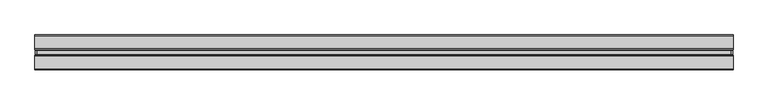
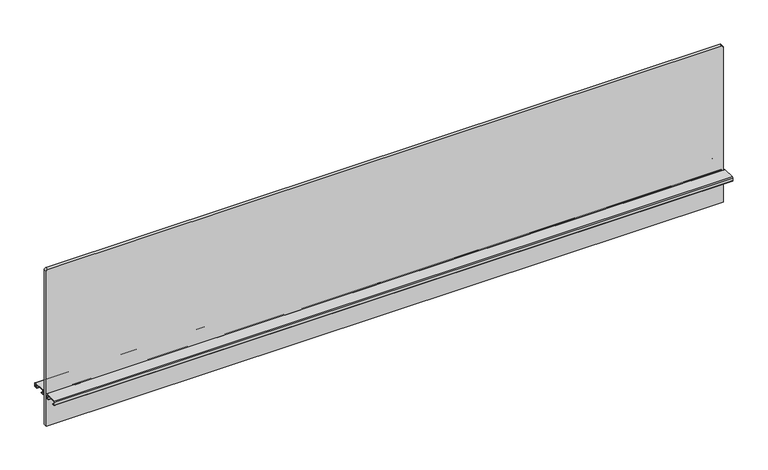
"""IFC4 building model written with IfcOpenShell, lengths in millimetres: furniture geometry."""

from ifc_helpers import new_model, si_unit, point, frame, frame_2d, origin, place, context, project, spatial, polyline, circle_curve, trimmed, segment, composite_curve, outline, extrude, source, transform, mapped, element, save


def furniture_b2cca230(model_context):
    return source(origin(), model_context, "Body", "SweptSolid", [
        extrude(outline(composite_curve([segment(polyline([(1061.313613, 756.92), (1061.313613, -756.92)]), True, "CONTINUOUS"), segment(trimmed(circle_curve(frame_2d((1057.503613, -756.92)), 3.81), [point((1061.313613, -756.92))], [point((1057.503613, -760.73))], False, "CARTESIAN"), True, "CONTINUOUS"), segment(polyline([(1057.503613, -760.73), (689.965613, -760.73), (689.965613, 760.73), (1057.503613, 760.73)]), True, "CONTINUOUS"), segment(trimmed(circle_curve(frame_2d((1057.503613, 756.92)), 3.81), [point((1057.503613, 760.73))], [point((1061.313613, 756.92))], False, "CARTESIAN"), True, "CONTINUOUS")], self_intersect=False)), frame((0.0, -3.683001, 0.0), z_axis=(0.0, 1.0, 0.0), x_axis=(0.0, 0.0, 1.0)), (0.0, 0.0, 1.0), 7.3660021),
        extrude(outline(composite_curve([segment(trimmed(circle_curve(frame_2d((-8.1724496, 767.2324064)), 2.032), [point((-8.1724496, 769.2644064))], [point((-6.1404496, 767.2324064))], False, "CARTESIAN"), True, "CONTINUOUS"), segment(polyline([(-6.1404496, 767.2324064), (-6.1404496, 761.1364161)]), True, "CONTINUOUS"), segment(trimmed(circle_curve(frame_2d((-8.1724496, 761.1364161)), 2.032), [point((-6.1404496, 761.1364161))], [point((-8.1724496, 759.1044161))], False, "CARTESIAN"), True, "CONTINUOUS"), segment(polyline([(-8.1724496, 759.1044161), (-13.4619988, 759.1044161), (-13.4619988, 760.0187498), (-8.0708496, 760.0187498)]), True, "CONTINUOUS"), segment(trimmed(circle_curve(frame_2d((-8.0708496, 761.0347498)), 1.016), [point((-8.0708496, 760.0187498))], [point((-7.0548496, 761.0347498))], True, "CARTESIAN"), True, "CONTINUOUS"), segment(polyline([(-7.0548496, 761.0347498), (-7.0548496, 767.334)]), True, "CONTINUOUS"), segment(trimmed(circle_curve(frame_2d((-8.0708496, 767.334)), 1.016), [point((-7.0548496, 767.334))], [point((-8.0708496, 768.35))], True, "CARTESIAN"), True, "CONTINUOUS"), segment(polyline([(-8.0708496, 768.35), (-36.1695996, 768.35)]), True, "CONTINUOUS"), segment(trimmed(circle_curve(frame_2d((-36.1695996, 767.334)), 1.016), [point((-36.1695996, 768.35))], [point((-37.1855996, 767.334))], True, "CARTESIAN"), True, "CONTINUOUS"), segment(polyline([(-37.1855996, 767.334), (-37.1855996, 761.0347498)]), True, "CONTINUOUS"), segment(trimmed(circle_curve(frame_2d((-36.1695996, 761.0347498)), 1.016), [point((-37.1855996, 761.0347498))], [point((-36.1695996, 760.0187498))], True, "CARTESIAN"), True, "CONTINUOUS"), segment(polyline([(-36.1695996, 760.0187498), (-30.7784504, 760.0187498), (-30.7784504, 759.1044161), (-36.0679996, 759.1044161)]), True, "CONTINUOUS"), segment(trimmed(circle_curve(frame_2d((-36.0679996, 761.1364161)), 2.032), [point((-36.0679996, 759.1044161))], [point((-38.0999996, 761.1364161))], False, "CARTESIAN"), True, "CONTINUOUS"), segment(polyline([(-38.0999996, 761.1364161), (-38.0999996, 767.2324064)]), True, "CONTINUOUS"), segment(trimmed(circle_curve(frame_2d((-36.0679996, 767.2324064)), 2.032), [point((-38.0999996, 767.2324064))], [point((-36.0679996, 769.2644064))], False, "CARTESIAN"), True, "CONTINUOUS"), segment(polyline([(-36.0679996, 769.2644064), (-8.1724496, 769.2644064)]), True, "CONTINUOUS")], self_intersect=False)), frame((-762.0, 0.0, 0.0), z_axis=(1.0, 0.0, 0.0), x_axis=(0.0, 1.0, 0.0)), (0.0, 0.0, 1.0), 1524.0),
        extrude(outline(composite_curve([segment(polyline([(8.1724496, 769.2644064), (36.0679996, 769.2644064)]), True, "CONTINUOUS"), segment(trimmed(circle_curve(frame_2d((36.0679996, 767.2324064)), 2.032), [point((36.0679996, 769.2644064))], [point((38.0999996, 767.2324064))], False, "CARTESIAN"), True, "CONTINUOUS"), segment(polyline([(38.0999996, 767.2324064), (38.0999996, 761.1364161)]), True, "CONTINUOUS"), segment(trimmed(circle_curve(frame_2d((36.0679996, 761.1364161)), 2.032), [point((38.0999996, 761.1364161))], [point((36.0679996, 759.1044161))], False, "CARTESIAN"), True, "CONTINUOUS"), segment(polyline([(36.0679996, 759.1044161), (30.7784504, 759.1044161), (30.7784504, 760.0187498), (36.1695996, 760.0187498)]), True, "CONTINUOUS"), segment(trimmed(circle_curve(frame_2d((36.1695996, 761.0347498)), 1.016), [point((36.1695996, 760.0187498))], [point((37.1855996, 761.0347498))], True, "CARTESIAN"), True, "CONTINUOUS"), segment(polyline([(37.1855996, 761.0347498), (37.1855996, 767.334)]), True, "CONTINUOUS"), segment(trimmed(circle_curve(frame_2d((36.1695996, 767.334)), 1.016), [point((37.1855996, 767.334))], [point((36.1695996, 768.35))], True, "CARTESIAN"), True, "CONTINUOUS"), segment(polyline([(36.1695996, 768.35), (8.0708496, 768.35)]), True, "CONTINUOUS"), segment(trimmed(circle_curve(frame_2d((8.0708496, 767.334)), 1.016), [point((8.0708496, 768.35))], [point((7.0548496, 767.334))], True, "CARTESIAN"), True, "CONTINUOUS"), segment(polyline([(7.0548496, 767.334), (7.0548496, 761.0347498)]), True, "CONTINUOUS"), segment(trimmed(circle_curve(frame_2d((8.0708496, 761.0347498)), 1.016), [point((7.0548496, 761.0347498))], [point((8.0708496, 760.0187498))], True, "CARTESIAN"), True, "CONTINUOUS"), segment(polyline([(8.0708496, 760.0187498), (13.4619988, 760.0187498), (13.4619988, 759.1044161), (8.1724496, 759.1044161)]), True, "CONTINUOUS"), segment(trimmed(circle_curve(frame_2d((8.1724496, 761.1364161)), 2.032), [point((8.1724496, 759.1044161))], [point((6.1404496, 761.1364161))], False, "CARTESIAN"), True, "CONTINUOUS"), segment(polyline([(6.1404496, 761.1364161), (6.1404496, 767.2324064)]), True, "CONTINUOUS"), segment(trimmed(circle_curve(frame_2d((8.1724496, 767.2324064)), 2.032), [point((6.1404496, 767.2324064))], [point((8.1724496, 769.2644064))], False, "CARTESIAN"), True, "CONTINUOUS")], self_intersect=False)), frame((-762.0, 0.0, 0.0), z_axis=(1.0, 0.0, 0.0), x_axis=(0.0, 1.0, 0.0)), (0.0, 0.0, 1.0), 1524.0),
    ])


if __name__ == "__main__":
    model = new_model("IFC4")
    model_context = context("Model", 3, world=origin())
    ifc_project = project(units=[si_unit("LENGTHUNIT", "METRE", prefix="MILLI")], contexts=[model_context])
    site = spatial("IfcSite", under=ifc_project)
    building = spatial("IfcBuilding", under=site)
    placement = place(None, origin())
    furniture_shape = furniture_b2cca230(model_context)
    element("IfcFurniture", 1, at=placement, inside=building, context=model_context, shape_type="MappedRepresentation", body=[
        mapped(furniture_shape, transform((0.0, 0.0, 0.0), x_axis=(1.0, 0.0, 0.0), y_axis=(0.0, 1.0, 0.0), z_axis=(0.0, 0.0, 1.0))),
    ])
    save(model, "model.ifc")
